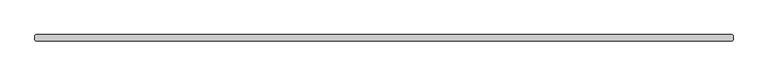
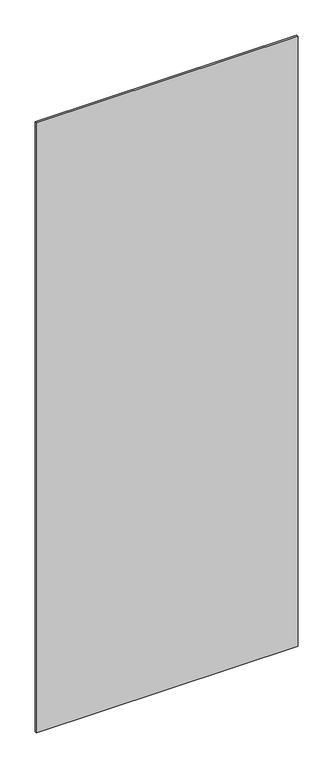
"""IFC4 building model written with IfcOpenShell, lengths in millimetres: plate geometry."""

from ifc_helpers import new_model, si_unit, origin, origin_with_axes, place, context, project, spatial, polyline, outline, extrude, source, transform, mapped, element, save


def plate_1d9e9311(model_context):
    return source(origin(), model_context, "Body", "SweptSolid", [
        extrude(outline(polyline([(523.9925622, -34.925), (-523.9925622, -34.925), (-525.5800622, -33.3375), (-525.5800622, -26.9875), (-523.9925622, -25.4), (523.9925622, -25.4), (525.5800622, -26.9875), (525.5800622, -33.3375), (523.9925622, -34.925)])), origin_with_axes(), (0.0, 0.0, 1.0), 2586.0375),
    ])


if __name__ == "__main__":
    model = new_model("IFC4")
    model_context = context("Model", 3, world=origin())
    ifc_project = project(units=[si_unit("LENGTHUNIT", "METRE", prefix="MILLI")], contexts=[model_context])
    site = spatial("IfcSite", under=ifc_project)
    building = spatial("IfcBuilding", under=site)
    placement = place(None, origin())
    plate_shape = plate_1d9e9311(model_context)
    element("IfcPlate", 1, at=placement, inside=building, context=model_context, shape_type="MappedRepresentation", body=[
        mapped(plate_shape, transform((0.0, 0.0, 0.0), x_axis=(1.0, 0.0, 0.0), y_axis=(0.0, 1.0, 0.0), z_axis=(0.0, 0.0, 1.0))),
    ])
    save(model, "model.ifc")
